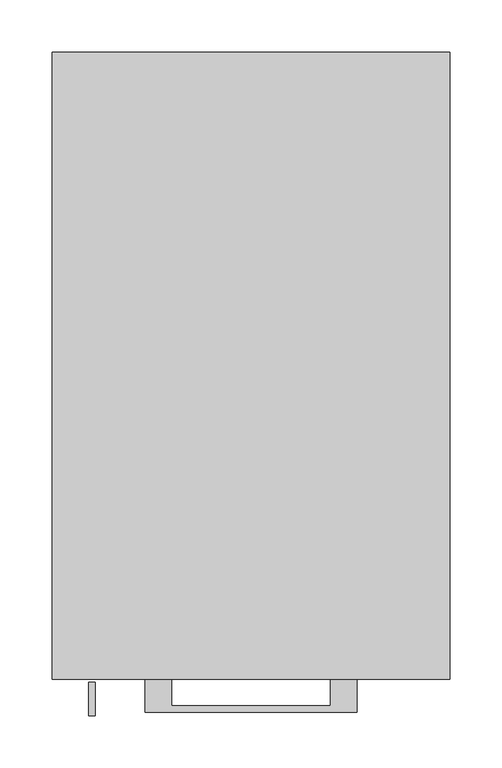
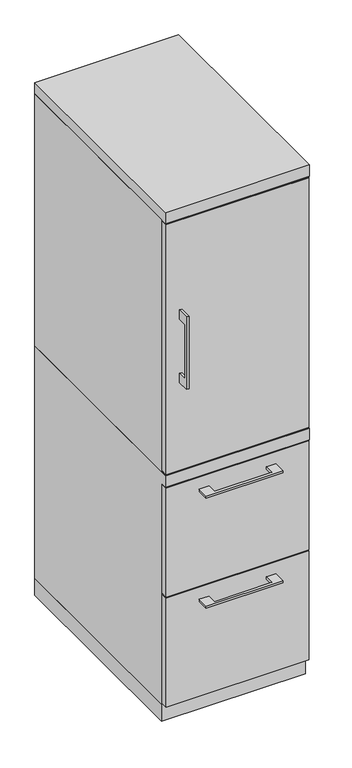
"""IFC4 building model written with IfcOpenShell, lengths in millimetres: furniture geometry."""

from ifc_helpers import new_model, si_unit, frame, origin, origin_with_axes, place, context, project, spatial, polyline, outline, extrude, faceted_brep, source, transform, mapped, element, save


def furniture_f4ac4a75(model_context):
    return source(origin(), model_context, "Body", "SolidModel", [
        extrude(outline(polyline([(-603.25, 1127.125), (-628.6499758, 1127.125), (-628.6499758, 974.725), (-603.25, 974.725), (-603.25, 949.325), (-634.9999879, 949.325), (-634.9999879, 1152.525), (-603.25, 1152.525), (-603.25, 1127.125)])), frame((-155.5749879, 0.0, 0.0), z_axis=(1.0, 0.0, 0.0), x_axis=(0.0, 1.0, 0.0)), (0.0, 0.0, 1.0), 6.3499758),
        extrude(outline(polyline([(188.9125, -600.075), (-188.9125, -600.075), (-188.9125, -581.025), (188.9125, -581.025), (188.9125, -600.075)])), frame((0.0, 0.0, 701.675), z_axis=(0.0, 0.0, 1.0), x_axis=(1.0, 0.0, 0.0)), (0.0, 0.0, 1.0), 698.5),
        extrude(outline(polyline([(-76.1999818, -600.075), (-76.1999818, -625.4749758), (76.2, -625.4749758), (76.2, -600.075), (101.5999939, -600.075), (101.5999939, -631.8249879), (-101.5999939, -631.8249879), (-101.5999939, -600.075), (-76.1999818, -600.075)])), frame((0.0, 0.0, 623.8875506), z_axis=(0.0, 0.0, 1.0), x_axis=(1.0, 0.0, 0.0)), (0.0, 0.0, 1.0), 6.3499758),
        extrude(outline(polyline([(188.9125, -581.025), (188.9125, -600.075), (-188.9125, -600.075), (-188.9125, -581.025), (188.9125, -581.025)])), frame((0.0, 0.0, 358.775), z_axis=(0.0, 0.0, 1.0), x_axis=(1.0, 0.0, 0.0)), (0.0, 0.0, 1.0), 304.8),
        extrude(outline(polyline([(-76.1999818, -600.075), (-76.1999818, -625.4749758), (76.2, -625.4749758), (76.2, -600.075), (101.5999939, -600.075), (101.5999939, -631.8249879), (-101.5999939, -631.8249879), (-101.5999939, -600.075), (-76.1999818, -600.075)])), frame((0.0, 0.0, 315.9125506), z_axis=(0.0, 0.0, 1.0), x_axis=(1.0, 0.0, 0.0)), (0.0, 0.0, 1.0), 6.3499758),
        extrude(outline(polyline([(188.9125, -581.025), (188.9125, -600.075), (-188.9125, -600.075), (-188.9125, -581.025), (188.9125, -581.025)])), frame((0.0, 0.0, 50.8), z_axis=(0.0, 0.0, 1.0), x_axis=(1.0, 0.0, 0.0)), (0.0, 0.0, 1.0), 304.8),
        extrude(outline(polyline([(188.9125, -581.025), (188.9125, -600.075), (-188.9125, -600.075), (-188.9125, -581.025), (188.9125, -581.025)])), frame((0.0, 0.0, 698.5), z_axis=(0.0, 0.0, 1.0), x_axis=(1.0, 0.0, 0.0)), (0.0, 0.0, 1.0), 704.85),
        extrude(outline(polyline([(-171.45, 0.0), (-171.45, -581.025), (-190.5, -581.025), (-190.5, 0.0), (-171.45, 0.0)])), frame((0.0, 0.0, 698.5), z_axis=(0.0, 0.0, 1.0), x_axis=(1.0, 0.0, 0.0)), (0.0, 0.0, 1.0), 704.85),
        extrude(outline(polyline([(190.5, -581.025), (171.45, -581.025), (171.45, 0.0), (190.5, 0.0), (190.5, -581.025)])), frame((0.0, 0.0, 698.5), z_axis=(0.0, 0.0, 1.0), x_axis=(1.0, 0.0, 0.0)), (0.0, 0.0, 1.0), 704.85),
        extrude(outline(polyline([(171.45, -19.05), (-171.45, -19.05), (-171.45, 0.0), (171.45, 0.0), (171.45, -19.05)])), frame((0.0, 0.0, 47.625), z_axis=(0.0, 0.0, 1.0), x_axis=(1.0, 0.0, 0.0)), (0.0, 0.0, 1.0), 1355.725),
        faceted_brep([(-171.45, 0.0, 698.5), (-190.5, 0.0, 698.5), (-190.5, -600.075, 698.5), (190.5, -600.075, 698.5), (190.5, 0.0, 698.5), (171.45, 0.0, 698.5), (171.45, -19.05, 698.5), (-171.45, -19.05, 698.5), (-171.45, 0.0, 47.625), (-171.45, -581.025, 47.625), (-190.5, -581.025, 47.625), (-190.5, 0.0, 47.625), (-190.5, -581.025, 666.75), (-190.5, -600.075, 666.75), (-171.45, -581.025, 666.75), (-171.45, -19.05, 666.75), (190.5, -600.075, 666.75), (171.45, -19.05, 666.75), (171.45, -581.025, 666.75), (190.5, -581.025, 666.75), (190.5, -581.025, 47.625), (190.5, 0.0, 47.625), (171.45, -581.025, 47.625), (171.45, 0.0, 47.625)], [[[0, 1, 2, 3, 4, 5, 6, 7]], [[8, 9, 10, 11]], [[1, 0, 8, 11]], [[11, 10, 12, 13, 2, 1]], [[10, 9, 14, 12]], [[9, 8, 0, 7, 15, 14]], [[16, 13, 12, 14, 15, 17, 18, 19]], [[15, 7, 6, 17]], [[3, 2, 13, 16]], [[4, 3, 16, 19, 20, 21]], [[21, 20, 22, 23]], [[5, 4, 21, 23]], [[23, 22, 18, 17, 6, 5]], [[22, 20, 19, 18]]]),
        extrude(outline(polyline([(190.5, 0.0), (190.5, -600.075), (-190.5, -600.075), (-190.5, 0.0), (190.5, 0.0)])), frame((0.0, 0.0, 1403.35), z_axis=(0.0, 0.0, 1.0), x_axis=(1.0, 0.0, 0.0)), (0.0, 0.0, 1.0), 31.75),
        extrude(outline(polyline([(190.5, 0.0), (190.5, -581.025), (-190.5, -581.025), (-190.5, 0.0), (190.5, 0.0)])), origin_with_axes(), (0.0, 0.0, 1.0), 47.625),
    ])


if __name__ == "__main__":
    model = new_model("IFC4")
    model_context = context("Model", 3, world=origin())
    ifc_project = project(units=[si_unit("LENGTHUNIT", "METRE", prefix="MILLI")], contexts=[model_context])
    site = spatial("IfcSite", under=ifc_project)
    building = spatial("IfcBuilding", under=site)
    placement = place(None, origin())
    furniture_shape = furniture_f4ac4a75(model_context)
    element("IfcFurniture", 1, at=placement, inside=building, context=model_context, shape_type="MappedRepresentation", body=[
        mapped(furniture_shape, transform((0.0, 0.0, 0.0), x_axis=(1.0, 0.0, 0.0), y_axis=(0.0, 1.0, 0.0), z_axis=(0.0, 0.0, 1.0))),
    ])
    save(model, "model.ifc")
